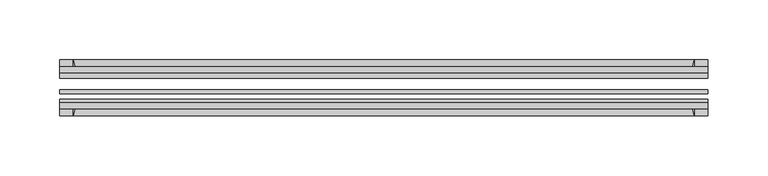
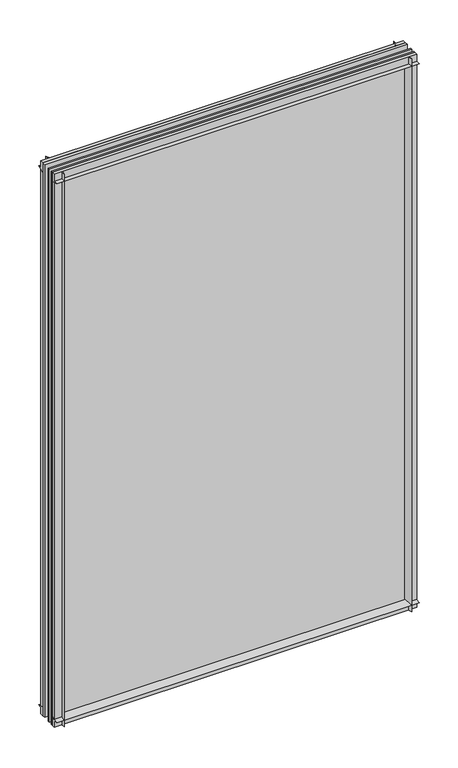
"""IFC4 building model written with IfcOpenShell, lengths in millimetres: plate geometry."""

from ifc_helpers import new_model, si_unit, point, frame, frame_2d, origin, place, context, project, spatial, polyline, circle_curve, trimmed, segment, composite_curve, outline, extrude, source, transform, mapped, element, save


def plate_988d5329(model_context):
    return source(origin(), model_context, "Body", "SweptSolid", [
        extrude(outline(composite_curve([segment(polyline([(-74.653775, 0.0), (-80.586498, 0.0)]), True, "CONTINUOUS"), segment(trimmed(circle_curve(frame_2d((-86.2543953, 32.273404)), 32.7673262), [point((-80.586498, 0.0))], [point((-69.878575, 3.8915405))], True, "CARTESIAN"), True, "CONTINUOUS"), segment(polyline([(-69.878575, 3.8915405), (-69.878575, -10.31875), (-74.653775, -10.31875), (-74.653775, 0.0)]), True, "CONTINUOUS")], self_intersect=False)), frame((-271.4625, 0.0, 0.0), z_axis=(1.0, 0.0, 0.0), x_axis=(0.0, 1.0, 0.0)), (0.0, 0.0, 1.0), 542.925),
        extrude(outline(composite_curve([segment(polyline([(-44.478575, -10.31875), (-44.478575, 3.8915405)]), True, "CONTINUOUS"), segment(trimmed(circle_curve(frame_2d((-28.1027547, 32.273404)), 32.7673262), [point((-44.478575, 3.8915405))], [point((-33.770652, 0.0))], True, "CARTESIAN"), True, "CONTINUOUS"), segment(polyline([(-33.770652, 0.0), (-39.703375, 0.0), (-39.703375, -10.31875), (-44.478575, -10.31875)]), True, "CONTINUOUS")], self_intersect=False)), frame((-271.4625, 0.0, 0.0), z_axis=(1.0, 0.0, 0.0), x_axis=(0.0, 1.0, 0.0)), (0.0, 0.0, 1.0), 542.925),
        extrude(outline(composite_curve([segment(trimmed(circle_curve(frame_2d((-86.2543953, 821.795246)), 32.7673262), [point((-69.878575, 850.1771095))], [point((-80.622775, 854.075))], True, "CARTESIAN"), True, "CONTINUOUS"), segment(polyline([(-80.622775, 854.075), (-74.653775, 854.075), (-74.653775, 865.1875), (-69.878575, 865.1875), (-69.878575, 850.1771095)]), True, "CONTINUOUS")], self_intersect=False)), frame((-271.4625, 0.0, 0.0), z_axis=(1.0, 0.0, 0.0), x_axis=(0.0, 1.0, 0.0)), (0.0, 0.0, 1.0), 542.925),
        extrude(outline(composite_curve([segment(polyline([(-44.478575, 850.1771095), (-44.478575, 865.1875), (-39.703375, 865.1875), (-39.703375, 854.075), (-33.734375, 854.075)]), True, "CONTINUOUS"), segment(trimmed(circle_curve(frame_2d((-28.1027547, 821.795246)), 32.7673262), [point((-33.734375, 854.075))], [point((-44.478575, 850.1771095))], True, "CARTESIAN"), True, "CONTINUOUS")], self_intersect=False)), frame((-271.4625, 0.0, 0.0), z_axis=(1.0, 0.0, 0.0), x_axis=(0.0, 1.0, 0.0)), (0.0, 0.0, 1.0), 542.925),
        extrude(outline(composite_curve([segment(polyline([(256.4521095, -69.878575), (271.4625, -69.878575), (271.4625, -74.653775), (260.35, -74.653775), (260.35, -80.622775)]), True, "CONTINUOUS"), segment(trimmed(circle_curve(frame_2d((228.070246, -86.2543953)), 32.7673262), [point((260.35, -80.622775))], [point((256.4521095, -69.878575))], True, "CARTESIAN"), True, "CONTINUOUS")], self_intersect=False)), frame((0.0, 0.0, -10.31875), z_axis=(0.0, 0.0, 1.0), x_axis=(1.0, 0.0, 0.0)), (0.0, 0.0, 1.0), 875.50625),
        extrude(outline(composite_curve([segment(trimmed(circle_curve(frame_2d((228.070246, -28.1027547)), 32.7673262), [point((256.4521095, -44.478575))], [point((260.35, -33.734375))], True, "CARTESIAN"), True, "CONTINUOUS"), segment(polyline([(260.35, -33.734375), (260.35, -39.703375), (271.4625, -39.703375), (271.4625, -44.478575), (256.4521095, -44.478575)]), True, "CONTINUOUS")], self_intersect=False)), frame((0.0, 0.0, -10.31875), z_axis=(0.0, 0.0, 1.0), x_axis=(1.0, 0.0, 0.0)), (0.0, 0.0, 1.0), 875.50625),
        extrude(outline(composite_curve([segment(trimmed(circle_curve(frame_2d((-228.070246, -86.2543953)), 32.7673262), [point((-256.4521095, -69.878575))], [point((-260.35, -80.622775))], True, "CARTESIAN"), True, "CONTINUOUS"), segment(polyline([(-260.35, -80.622775), (-260.35, -74.653775), (-271.4625, -74.653775), (-271.4625, -69.878575), (-256.4521095, -69.878575)]), True, "CONTINUOUS")], self_intersect=False)), frame((0.0, 0.0, -10.31875), z_axis=(0.0, 0.0, 1.0), x_axis=(1.0, 0.0, 0.0)), (0.0, 0.0, 1.0), 875.50625),
        extrude(outline(composite_curve([segment(polyline([(-256.4521095, -44.478575), (-271.4625, -44.478575), (-271.4625, -39.703375), (-260.35, -39.703375), (-260.35, -33.734375)]), True, "CONTINUOUS"), segment(trimmed(circle_curve(frame_2d((-228.070246, -28.1027547)), 32.7673262), [point((-260.35, -33.734375))], [point((-256.4521095, -44.478575))], True, "CARTESIAN"), True, "CONTINUOUS")], self_intersect=False)), frame((0.0, 0.0, -10.31875), z_axis=(0.0, 0.0, 1.0), x_axis=(1.0, 0.0, 0.0)), (0.0, 0.0, 1.0), 875.50625),
        extrude(outline(polyline([(-271.4625, -44.478575), (271.4625, -44.478575), (271.4625, -49.241075), (-271.4625, -49.241075), (-271.4625, -44.478575)])), frame((0.0, 0.0, -10.31875), z_axis=(0.0, 0.0, 1.0), x_axis=(1.0, 0.0, 0.0)), (0.0, 0.0, 1.0), 875.50625),
        extrude(outline(polyline([(271.4625, -58.956575), (271.4625, -62.131575), (-271.4625, -62.131575), (-271.4625, -58.956575), (271.4625, -58.956575)])), frame((0.0, 0.0, -10.31875), z_axis=(0.0, 0.0, 1.0), x_axis=(1.0, 0.0, 0.0)), (0.0, 0.0, 1.0), 875.50625),
        extrude(outline(polyline([(-271.4625, -66.703575), (271.4625, -66.703575), (271.4625, -69.878575), (-271.4625, -69.878575), (-271.4625, -66.703575)])), frame((0.0, 0.0, -10.31875), z_axis=(0.0, 0.0, 1.0), x_axis=(1.0, 0.0, 0.0)), (0.0, 0.0, 1.0), 875.50625),
    ])


if __name__ == "__main__":
    model = new_model("IFC4")
    model_context = context("Model", 3, world=origin())
    ifc_project = project(units=[si_unit("LENGTHUNIT", "METRE", prefix="MILLI")], contexts=[model_context])
    site = spatial("IfcSite", under=ifc_project)
    building = spatial("IfcBuilding", under=site)
    placement = place(None, origin())
    plate_shape = plate_988d5329(model_context)
    element("IfcPlate", 1, at=placement, inside=building, context=model_context, shape_type="MappedRepresentation", body=[
        mapped(plate_shape, transform((0.0, 0.0, 0.0), x_axis=(1.0, 0.0, 0.0), y_axis=(0.0, 1.0, 0.0), z_axis=(0.0, 0.0, 1.0))),
    ])
    save(model, "model.ifc")
